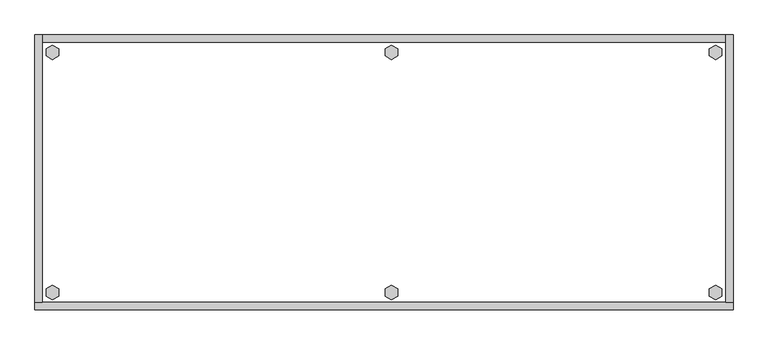
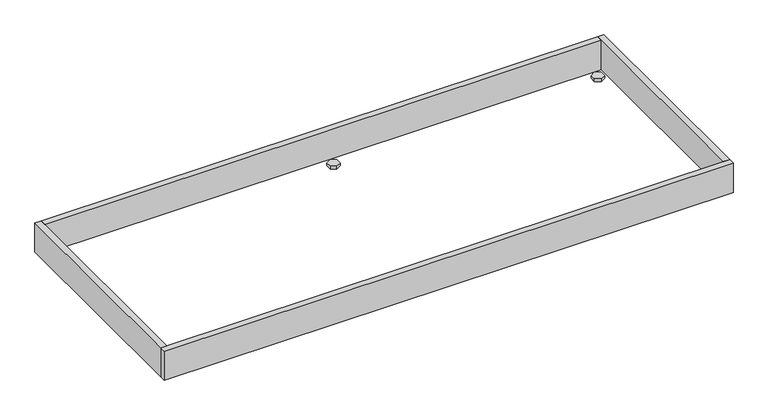
"""IFC4 building model written with IfcOpenShell, lengths in millimetres: furniture geometry."""

import ifcopenshell
import ifcopenshell.guid

model = None  # the IFC model being written
_history = None  # IfcOwnerHistory: only IFC2X3 demands one
_inside = {}  # id of a spatial element -> (the spatial element, [elements in it])
_under = {}  # id of a project, library or spatial element -> (it, [spatial elements below it])
_declared = {}  # id of a project -> (the project, [libraries it declares])
_typed = {}  # id of a type object -> (the type object, [elements of that type])
_made_of = {}  # id of a material, layer set ... -> (it, [elements and type objects made of it])


def new_model(schema):
    """Start an empty IFC model of exactly this schema.

    Asked for "IFC4X3", IfcOpenShell would pick the latest addendum, in which some entities
    have other attributes; the version numbers below select the first issue.
    IFC2X3 requires an IfcOwnerHistory on every rooted entity: one is made here for all.
    """
    global model, _history
    if schema == "IFC4X3":
        model = ifcopenshell.file(schema_version=(4, 3, 0, 0))
    else:
        model = ifcopenshell.file(schema=schema)
    _inside.clear()
    _under.clear()
    _declared.clear()
    _typed.clear()
    _made_of.clear()
    _history = None
    if model.schema == "IFC2X3":
        org = make("IfcOrganization", Name="unknown")
        user = make(
            "IfcPersonAndOrganization",
            ThePerson=make("IfcPerson", FamilyName="unknown"),
            TheOrganization=org,
        )
        app = make(
            "IfcApplication",
            ApplicationDeveloper=org,
            Version="unknown",
            ApplicationFullName="unknown",
            ApplicationIdentifier="unknown",
        )
        _history = make(
            "IfcOwnerHistory",
            OwningUser=user,
            OwningApplication=app,
            ChangeAction="ADDED",
            CreationDate=0,
        )
    return model


def make(cls, **values):
    """One entity of the class cls with the attributes given. An attribute that is None is left unset."""
    return model.create_entity(
        cls, **{name: value for name, value in values.items() if value is not None}
    )


def rooted(cls, **values):
    """An entity with a GlobalId (a new one), such as an element, a storey or a relation."""
    return make(cls, GlobalId=ifcopenshell.guid.new(), OwnerHistory=_history, **values)


def si_unit(unit_type, name, prefix=None):
    """IfcSIUnit, for example si_unit("LENGTHUNIT", "METRE", prefix="MILLI")."""
    return make("IfcSIUnit", UnitType=unit_type, Prefix=prefix, Name=name)


def assignment(units):
    """IfcUnitAssignment: the units of a project."""
    return None if units is None else make("IfcUnitAssignment", Units=units)


def point(xyz):
    """IfcCartesianPoint."""
    return None if xyz is None else make("IfcCartesianPoint", Coordinates=xyz)


def direction(xyz):
    """IfcDirection."""
    return None if xyz is None else make("IfcDirection", DirectionRatios=xyz)


def frame(location, z_axis=None, x_axis=None):
    """IfcAxis2Placement3D, a coordinate frame: its origin and axes. An axis left out is left unset."""
    return make(
        "IfcAxis2Placement3D",
        Location=point(location),
        Axis=direction(z_axis),
        RefDirection=direction(x_axis),
    )


def origin():
    """The frame at (0, 0, 0) with its axes left unset."""
    return frame((0.0, 0.0, 0.0))


def origin_with_axes():
    """The frame at (0, 0, 0) with the z axis (0, 0, 1) and the x axis (1, 0, 0) written out."""
    return frame((0.0, 0.0, 0.0), z_axis=(0.0, 0.0, 1.0), x_axis=(1.0, 0.0, 0.0))


def place(relative_to, where):
    """IfcLocalPlacement: puts the frame where relative to a parent placement (None: the world)."""
    return make(
        "IfcLocalPlacement", PlacementRelTo=relative_to, RelativePlacement=where
    )


def context(
    kind, dimensions, precision=None, world=None, true_north=None, identifier=None
):
    """IfcGeometricRepresentationContext, for example the 3D "Model" context."""
    return make(
        "IfcGeometricRepresentationContext",
        ContextIdentifier=identifier,
        ContextType=kind,
        CoordinateSpaceDimension=dimensions,
        Precision=precision,
        WorldCoordinateSystem=world,
        TrueNorth=true_north,
    )


def project(units=None, contexts=None):
    """IfcProject with its units and contexts."""
    return rooted(
        "IfcProject",
        Name="project",
        RepresentationContexts=contexts,
        UnitsInContext=assignment(units),
    )


def spatial(cls, under=None, at=None, **own):
    """A site, building, storey or space (cls), placed at a placement, below another one or the project."""
    s = rooted(cls, ObjectPlacement=at, **own)
    if under is not None:
        _under.setdefault(under.id(), (under, []))[1].append(s)
    return s


def polyline(points):
    """IfcPolyline through the points."""
    return make("IfcPolyline", Points=[point(p) for p in points])


def outline(outer, holes=None, kind="AREA"):
    """IfcArbitraryClosedProfileDef: a profile drawn as a closed curve; with holes, ...WithVoids."""
    if holes is None:
        return make("IfcArbitraryClosedProfileDef", ProfileType=kind, OuterCurve=outer)
    return make(
        "IfcArbitraryProfileDefWithVoids",
        ProfileType=kind,
        OuterCurve=outer,
        InnerCurves=holes,
    )


def extrude(swept, where, along, depth):
    """IfcExtrudedAreaSolid: the profile swept, set in the frame where, extruded along a direction by depth."""
    return make(
        "IfcExtrudedAreaSolid",
        SweptArea=swept,
        Position=where,
        ExtrudedDirection=direction(along),
        Depth=depth,
    )


def shape(context_of_items, identifier, shape_type, items):
    """IfcShapeRepresentation: the items that make up one representation, for example the "Body"."""
    return make(
        "IfcShapeRepresentation",
        ContextOfItems=context_of_items,
        RepresentationIdentifier=identifier,
        RepresentationType=shape_type,
        Items=items,
    )


def source(mapping_origin, context_of_items, identifier, shape_type, items):
    """IfcRepresentationMap: a shape defined once, which mapped items show again and again."""
    return make(
        "IfcRepresentationMap",
        MappingOrigin=mapping_origin,
        MappedRepresentation=shape(context_of_items, identifier, shape_type, items),
    )


def transform(
    local_origin,
    x_axis=None,
    y_axis=None,
    z_axis=None,
    scale=None,
    scale2=None,
    scale3=None,
    uniform=True,
):
    """IfcCartesianTransformationOperator3D, or its non-uniform kind. x_axis, y_axis, z_axis: its Axis1, 2, 3."""
    if uniform:
        return make(
            "IfcCartesianTransformationOperator3D",
            Axis1=direction(x_axis),
            Axis2=direction(y_axis),
            LocalOrigin=point(local_origin),
            Scale=scale,
            Axis3=direction(z_axis),
        )
    return make(
        "IfcCartesianTransformationOperator3DnonUniform",
        Axis1=direction(x_axis),
        Axis2=direction(y_axis),
        LocalOrigin=point(local_origin),
        Scale=scale,
        Axis3=direction(z_axis),
        Scale2=scale2,
        Scale3=scale3,
    )


def mapped(mapping_source, mapping_target):
    """IfcMappedItem: shows the shape of a source again, moved by a transform."""
    return make(
        "IfcMappedItem", MappingSource=mapping_source, MappingTarget=mapping_target
    )


def made_of(thing, what):
    """Note that an element or type object is made of a material, layer set ...; save() writes the relation."""
    if what is not None:
        _made_of.setdefault(what.id(), (what, []))[1].append(thing)
    return thing


def element(
    cls,
    number,
    at=None,
    inside=None,
    cuts=None,
    type_object=None,
    material=None,
    context=None,
    identifier="Body",
    shape_type=None,
    held_by="IfcProductDefinitionShape",
    body=None,
    shapes=None,
    **own,
):
    """One element of the class cls, such as IfcWall. Its Tag is "e" and its number.

    at: its placement. inside: the storey or other place that contains it. cuts: it is an
    opening in that element (IfcRelVoidsElement). A single representation is given by context,
    identifier, shape_type and body (its items); several are given by shapes. held_by: the class
    of the entity that holds the representations. save() writes the other relations.
    """
    e = rooted(cls, Tag="e%d" % number, ObjectPlacement=at, **own)
    if body is not None:
        shapes = [shape(context, identifier, shape_type, body)]
    if shapes is not None:
        e.Representation = make(held_by, Representations=shapes)
    if inside is not None:
        _inside.setdefault(inside.id(), (inside, []))[1].append(e)
    if cuts is not None:
        rooted(
            "IfcRelVoidsElement", RelatingBuildingElement=cuts, RelatedOpeningElement=e
        )
    if type_object is not None:
        _typed.setdefault(type_object.id(), (type_object, []))[1].append(e)
    return made_of(e, material)


def aggregate(whole, parts):
    """IfcRelAggregates: a whole, such as a stair, and the parts it consists of."""
    return rooted("IfcRelAggregates", RelatingObject=whole, RelatedObjects=parts)


def save(model, path):
    """Write the relations noted so far, then the file.

    IfcRelAggregates (storeys below a building ...), IfcRelContainedInSpatialStructure (elements
    in a storey), IfcRelDefinesByType, IfcRelAssociatesMaterial and IfcRelDeclares: one each for
    every whole, place, type object, material and project.
    """
    for whole, parts in _under.values():
        aggregate(whole, parts)
    for where, things in _inside.values():
        rooted(
            "IfcRelContainedInSpatialStructure",
            RelatedElements=things,
            RelatingStructure=where,
        )
    for kind, things in _typed.values():
        rooted("IfcRelDefinesByType", RelatedObjects=things, RelatingType=kind)
    for what, things in _made_of.values():
        rooted("IfcRelAssociatesMaterial", RelatedObjects=things, RelatingMaterial=what)
    for by, libraries in _declared.values():
        rooted("IfcRelDeclares", RelatingContext=by, RelatedDefinitions=libraries)
    model.write(path)


def furniture_0cf28fc3(model_context):
    return source(origin(), model_context, "Body", "SweptSolid", [
        extrude(outline(polyline([(1730.0735422, -651.2179), (1746.0214, -642.0104), (1761.9692578, -651.2179), (1761.9692578, -669.6329), (1746.0214, -678.8404), (1730.0735422, -669.6329), (1730.0735422, -651.2179)])), origin_with_axes(), (0.0, 0.0, 1.0), 9.144),
        extrude(outline(polyline([(1730.0735422, -35.4711), (1746.0214, -26.2636), (1761.9692578, -35.4711), (1761.9692578, -53.8861), (1746.0214, -63.0936), (1730.0735422, -53.8861), (1730.0735422, -35.4711)])), origin_with_axes(), (0.0, 0.0, 1.0), 9.144),
        extrude(outline(polyline([(898.4521422, -651.2179), (914.4, -642.0104), (930.3478578, -651.2179), (930.3478578, -669.6329), (914.4, -678.8404), (898.4521422, -669.6329), (898.4521422, -651.2179)])), origin_with_axes(), (0.0, 0.0, 1.0), 9.144),
        extrude(outline(polyline([(898.4521422, -35.4711), (914.4, -26.2636), (930.3478578, -35.4711), (930.3478578, -53.8861), (914.4, -63.0936), (898.4521422, -53.8861), (898.4521422, -35.4711)])), origin_with_axes(), (0.0, 0.0, 1.0), 9.144),
        extrude(outline(polyline([(28.7307422, -651.2179), (44.6786, -642.0104), (60.6264578, -651.2179), (60.6264578, -669.6329), (44.6786, -678.8404), (28.7307422, -669.6329), (28.7307422, -651.2179)])), origin_with_axes(), (0.0, 0.0, 1.0), 9.144),
        extrude(outline(polyline([(28.7307422, -35.4711), (44.6786, -26.2636), (60.6264578, -35.4711), (60.6264578, -53.8861), (44.6786, -63.0936), (28.7307422, -53.8861), (28.7307422, -35.4711)])), origin_with_axes(), (0.0, 0.0, 1.0), 9.144),
        extrude(outline(polyline([(19.304, 0.0), (19.304, -685.8), (0.0, -685.8), (0.0, 0.0), (19.304, 0.0)])), frame((0.0, 0.0, 4.699), z_axis=(0.0, 0.0, 1.0), x_axis=(1.0, 0.0, 0.0)), (0.0, 0.0, 1.0), 96.901),
        extrude(outline(polyline([(1790.7, 0.0), (1790.7, -685.8), (1771.396, -685.8), (1771.396, 0.0), (1790.7, 0.0)])), frame((0.0, 0.0, 4.699), z_axis=(0.0, 0.0, 1.0), x_axis=(1.0, 0.0, 0.0)), (0.0, 0.0, 1.0), 96.901),
        extrude(outline(polyline([(1771.396, -19.304), (19.304, -19.304), (19.304, 0.0), (1771.396, 0.0), (1771.396, -19.304)])), frame((0.0, 0.0, 4.699), z_axis=(0.0, 0.0, 1.0), x_axis=(1.0, 0.0, 0.0)), (0.0, 0.0, 1.0), 96.901),
        extrude(outline(polyline([(1790.7, -685.8), (1790.7, -705.104), (0.0, -705.104), (0.0, -685.8), (1790.7, -685.8)])), frame((0.0, 0.0, 4.699), z_axis=(0.0, 0.0, 1.0), x_axis=(1.0, 0.0, 0.0)), (0.0, 0.0, 1.0), 96.901),
    ])


if __name__ == "__main__":
    model = new_model("IFC4")
    model_context = context("Model", 3, world=origin())
    ifc_project = project(units=[si_unit("LENGTHUNIT", "METRE", prefix="MILLI")], contexts=[model_context])
    site = spatial("IfcSite", under=ifc_project)
    building = spatial("IfcBuilding", under=site)
    placement = place(None, origin())
    furniture_shape = furniture_0cf28fc3(model_context)
    element("IfcFurniture", 1, at=placement, inside=building, context=model_context, shape_type="MappedRepresentation", body=[
        mapped(furniture_shape, transform((0.0, 0.0, 0.0), x_axis=(1.0, 0.0, 0.0), y_axis=(0.0, 1.0, 0.0), z_axis=(0.0, 0.0, 1.0))),
    ])
    save(model, "model.ifc")
